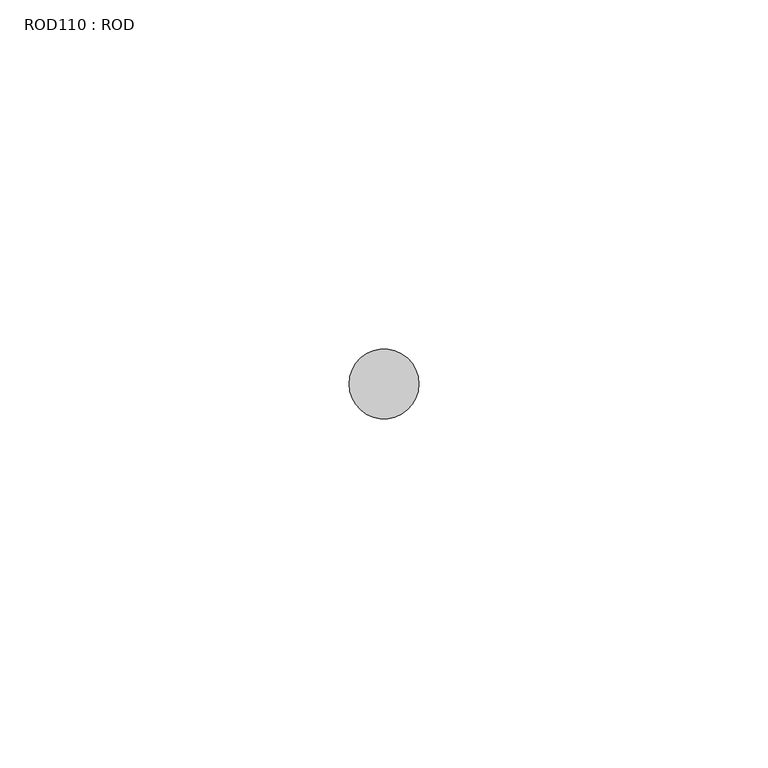
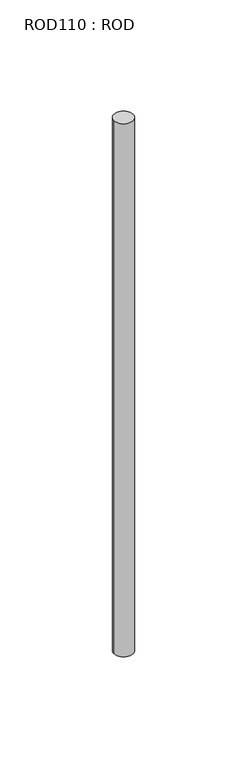
"""IFC4 building model written with IfcOpenShell, lengths in millimetres: proxy geometry, ROD110 : ROD."""

from ifc_helpers import new_model, si_unit, point, frame, frame_2d, origin, place, context, project, spatial, circle_curve, trimmed, segment, composite_curve, outline, extrude, source, transform, mapped, element, save


def rod110_rod_bd04292a(model_context):
    return source(origin(), model_context, "Body", "SweptSolid", [
        extrude(outline(composite_curve([segment(trimmed(circle_curve(frame_2d((-3500.2326676, -14542.0031593)), 5.0), [point((-3505.2326676, -14542.0031593))], [point((-3495.2326676, -14542.0031593))], False, "CARTESIAN"), True, "CONTINUOUS"), segment(trimmed(circle_curve(frame_2d((-3500.2326676, -14542.0031593)), 5.0), [point((-3495.2326676, -14542.0031593))], [point((-3505.2326676, -14542.0031593))], False, "CARTESIAN"), True, "CONTINUOUS")], self_intersect=False)), frame((0.0, 0.0, -108.6608845), z_axis=(0.0, 0.0, 1.0), x_axis=(1.0, 0.0, 0.0)), (0.0, 0.0, 1.0), 298.9028972),
    ])


if __name__ == "__main__":
    model = new_model("IFC4")
    model_context = context("Model", 3, world=origin())
    ifc_project = project(units=[si_unit("LENGTHUNIT", "METRE", prefix="MILLI")], contexts=[model_context])
    site = spatial("IfcSite", under=ifc_project)
    building = spatial("IfcBuilding", under=site)
    placement = place(None, origin())
    rod110_rod_shape = rod110_rod_bd04292a(model_context)
    element("IfcBuildingElementProxy", 1, Name="ROD110 : ROD", ObjectType="ROD110 : ROD", at=placement, inside=building, context=model_context, shape_type="MappedRepresentation", body=[
        mapped(rod110_rod_shape, transform((0.0, 0.0, 0.0), x_axis=(1.0, 0.0, 0.0), y_axis=(0.0, 1.0, 0.0), z_axis=(0.0, 0.0, 1.0))),
    ])
    save(model, "model.ifc")
